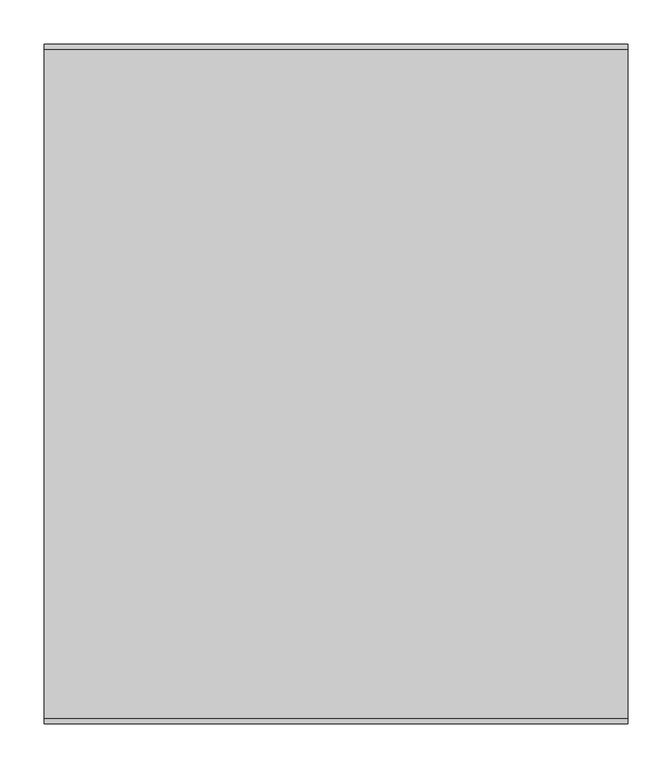
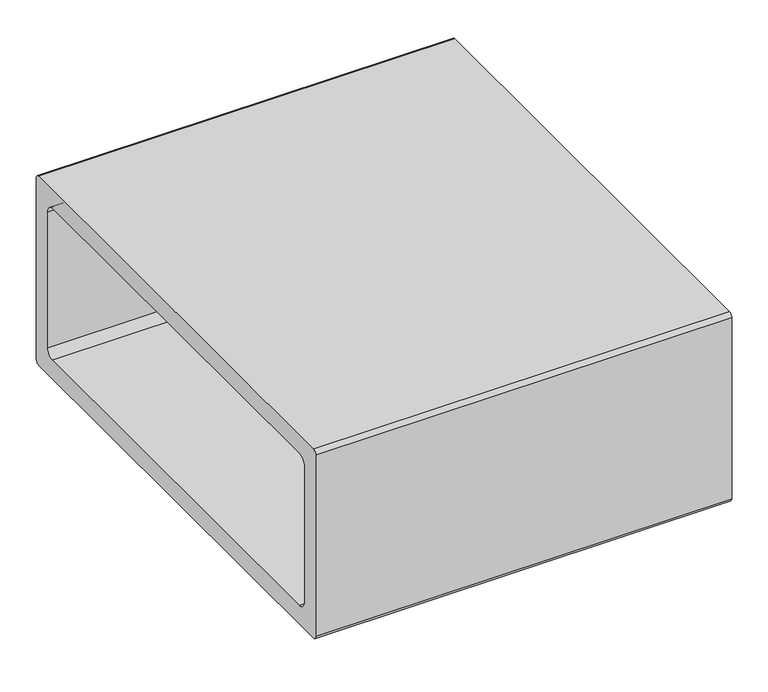
"""IFC4 building model written with IfcOpenShell, lengths in millimetres: furniture geometry."""

from ifc_helpers import new_model, si_unit, point, frame, frame_2d, origin, place, context, project, spatial, polyline, circle_curve, trimmed, segment, composite_curve, outline, extrude, faceted_brep, source, transform, mapped, element, save


def furniture_1a9a5723(model_context):
    return source(origin(), model_context, "Body", "SolidModel", [
        faceted_brep([(232.512495, 327.8342493, 25.4000008), (229.337489, 324.6592432, 25.4000008), (229.337489, 280.2092311, 25.4000008), (232.512495, 277.0342432, 25.4000008), (276.962489, 277.0342432, 25.4000008), (280.137495, 280.2092311, 25.4000008), (280.137495, 324.6592432, 25.4000008), (276.962489, 327.8342493, 25.4000008), (280.137495, 331.0092372, 0.0), (283.3124829, 327.8342493, 0.0), (283.3124829, 277.0342432, 0.0), (280.137495, 273.8592553, 0.0), (229.337489, 273.8592553, 0.0), (226.1624829, 277.0342432, 0.0), (226.1624829, 327.8342493, 0.0), (229.337489, 331.0092372, 0.0), (232.512495, 327.8342493, 3.1750001), (229.337489, 324.6592432, 3.1750001), (229.337489, 280.2092311, 3.1750001), (232.512495, 277.0342432, 3.1750001), (276.962489, 277.0342432, 3.1750001), (280.137495, 280.2092311, 3.1750001), (280.137495, 324.6592432, 3.1750001), (276.962489, 327.8342493, 3.1750001), (280.137495, 331.0092372, 3.1750001), (229.337489, 331.0092372, 3.1750001), (226.1624829, 327.8342493, 3.1750001), (226.1624829, 277.0342432, 3.1750001), (229.337489, 273.8592553, 3.1750001), (280.137495, 273.8592553, 3.1750001), (283.3124829, 277.0342432, 3.1750001), (283.3124829, 327.8342493, 3.1750001)], [[[0, 1, 2, 3, 4, 5, 6, 7]], [[8, 9, 10, 11, 12, 13, 14, 15]], [[1, 0, 16, 17]], [[2, 1, 17, 18]], [[3, 2, 18, 19]], [[4, 3, 19, 20]], [[5, 4, 20, 21]], [[6, 5, 21, 22]], [[7, 6, 22, 23]], [[0, 7, 23, 16]], [[24, 25, 26, 27, 28, 29, 30, 31], [17, 16, 23, 22, 21, 20, 19, 18]], [[25, 24, 8, 15]], [[26, 25, 15, 14]], [[27, 26, 14, 13]], [[28, 27, 13, 12]], [[29, 28, 12, 11]], [[30, 29, 11, 10]], [[31, 30, 10, 9]], [[24, 31, 9, 8]]]),
        faceted_brep([(-275.487511, 327.8342493, 25.4000008), (-278.6625171, 324.6592432, 25.4000008), (-278.6625171, 280.2092311, 25.4000008), (-275.487511, 277.0342432, 25.4000008), (-231.0375171, 277.0342432, 25.4000008), (-227.862511, 280.2092311, 25.4000008), (-227.862511, 324.6592432, 25.4000008), (-231.0375171, 327.8342493, 25.4000008), (-227.862511, 331.0092372, 0.0), (-224.6875231, 327.8342493, 0.0), (-224.6875231, 277.0342432, 0.0), (-227.862511, 273.8592553, 0.0), (-278.6625171, 273.8592553, 0.0), (-281.8375231, 277.0342432, 0.0), (-281.8375231, 327.8342493, 0.0), (-278.6625171, 331.0092372, 0.0), (-275.487511, 327.8342493, 3.1750001), (-278.6625171, 324.6592432, 3.1750001), (-278.6625171, 280.2092311, 3.1750001), (-275.487511, 277.0342432, 3.1750001), (-231.0375171, 277.0342432, 3.1750001), (-227.862511, 280.2092311, 3.1750001), (-227.862511, 324.6592432, 3.1750001), (-231.0375171, 327.8342493, 3.1750001), (-227.862511, 331.0092372, 3.1750001), (-278.6625171, 331.0092372, 3.1750001), (-281.8375231, 327.8342493, 3.1750001), (-281.8375231, 277.0342432, 3.1750001), (-278.6625171, 273.8592553, 3.1750001), (-227.862511, 273.8592553, 3.1750001), (-224.6875231, 277.0342432, 3.1750001), (-224.6875231, 327.8342493, 3.1750001)], [[[0, 1, 2, 3, 4, 5, 6, 7]], [[8, 9, 10, 11, 12, 13, 14, 15]], [[1, 0, 16, 17]], [[2, 1, 17, 18]], [[3, 2, 18, 19]], [[4, 3, 19, 20]], [[5, 4, 20, 21]], [[6, 5, 21, 22]], [[7, 6, 22, 23]], [[0, 7, 23, 16]], [[24, 25, 26, 27, 28, 29, 30, 31], [17, 16, 23, 22, 21, 20, 19, 18]], [[25, 24, 8, 15]], [[26, 25, 15, 14]], [[27, 26, 14, 13]], [[28, 27, 13, 12]], [[29, 28, 12, 11]], [[30, 29, 11, 10]], [[31, 30, 10, 9]], [[24, 31, 9, 8]]]),
        faceted_brep([(-227.862511, -284.9407568, 3.1750001), (-278.6625171, -284.9407568, 3.1750001), (-281.8375231, -288.1157447, 3.1750001), (-281.8375231, -338.9157507, 3.1750001), (-278.6625171, -342.0907386, 3.1750001), (-227.862511, -342.0907386, 3.1750001), (-224.6875231, -338.9157507, 3.1750001), (-224.6875231, -288.1157447, 3.1750001), (-278.6625171, -291.2907507, 3.1750001), (-275.487511, -288.1157447, 3.1750001), (-231.0375171, -288.1157447, 3.1750001), (-227.862511, -291.2907507, 3.1750001), (-227.862511, -335.7407628, 3.1750001), (-231.0375171, -338.9157507, 3.1750001), (-275.487511, -338.9157507, 3.1750001), (-278.6625171, -335.7407628, 3.1750001), (-227.862511, -284.9407568, 0.0), (-224.6875231, -288.1157447, 0.0), (-224.6875231, -338.9157507, 0.0), (-227.862511, -342.0907386, 0.0), (-278.6625171, -342.0907386, 0.0), (-281.8375231, -338.9157507, 0.0), (-281.8375231, -288.1157447, 0.0), (-278.6625171, -284.9407568, 0.0), (-275.487511, -288.1157447, 25.4000008), (-278.6625171, -291.2907507, 25.4000008), (-278.6625171, -335.7407628, 25.4000008), (-275.487511, -338.9157507, 25.4000008), (-231.0375171, -338.9157507, 25.4000008), (-227.862511, -335.7407628, 25.4000008), (-227.862511, -291.2907507, 25.4000008), (-231.0375171, -288.1157447, 25.4000008)], [[[0, 1, 2, 3, 4, 5, 6, 7], [8, 9, 10, 11, 12, 13, 14, 15]], [[16, 17, 18, 19, 20, 21, 22, 23]], [[1, 0, 16, 23]], [[2, 1, 23, 22]], [[3, 2, 22, 21]], [[4, 3, 21, 20]], [[5, 4, 20, 19]], [[6, 5, 19, 18]], [[7, 6, 18, 17]], [[0, 7, 17, 16]], [[24, 25, 26, 27, 28, 29, 30, 31]], [[25, 24, 9, 8]], [[26, 25, 8, 15]], [[27, 26, 15, 14]], [[28, 27, 14, 13]], [[29, 28, 13, 12]], [[30, 29, 12, 11]], [[31, 30, 11, 10]], [[24, 31, 10, 9]]]),
        faceted_brep([(232.512495, -288.1157447, 25.4000008), (229.337489, -291.2907507, 25.4000008), (229.337489, -335.7407628, 25.4000008), (232.512495, -338.9157507, 25.4000008), (276.962489, -338.9157507, 25.4000008), (280.137495, -335.7407628, 25.4000008), (280.137495, -291.2907507, 25.4000008), (276.962489, -288.1157447, 25.4000008), (280.137495, -284.9407568, 0.0), (283.3124829, -288.1157447, 0.0), (283.3124829, -338.9157507, 0.0), (280.137495, -342.0907386, 0.0), (229.337489, -342.0907386, 0.0), (226.1624829, -338.9157507, 0.0), (226.1624829, -288.1157447, 0.0), (229.337489, -284.9407568, 0.0), (232.512495, -288.1157447, 3.1750001), (229.337489, -291.2907507, 3.1750001), (229.337489, -335.7407628, 3.1750001), (232.512495, -338.9157507, 3.1750001), (276.962489, -338.9157507, 3.1750001), (280.137495, -335.7407628, 3.1750001), (280.137495, -291.2907507, 3.1750001), (276.962489, -288.1157447, 3.1750001), (280.137495, -284.9407568, 3.1750001), (229.337489, -284.9407568, 3.1750001), (226.1624829, -288.1157447, 3.1750001), (226.1624829, -338.9157507, 3.1750001), (229.337489, -342.0907386, 3.1750001), (280.137495, -342.0907386, 3.1750001), (283.3124829, -338.9157507, 3.1750001), (283.3124829, -288.1157447, 3.1750001)], [[[0, 1, 2, 3, 4, 5, 6, 7]], [[8, 9, 10, 11, 12, 13, 14, 15]], [[1, 0, 16, 17]], [[2, 1, 17, 18]], [[3, 2, 18, 19]], [[4, 3, 19, 20]], [[5, 4, 20, 21]], [[6, 5, 21, 22]], [[7, 6, 22, 23]], [[0, 7, 23, 16]], [[24, 25, 26, 27, 28, 29, 30, 31], [17, 16, 23, 22, 21, 20, 19, 18]], [[25, 24, 8, 15]], [[26, 25, 15, 14]], [[27, 26, 14, 13]], [[28, 27, 13, 12]], [[29, 28, 12, 11]], [[30, 29, 11, 10]], [[31, 30, 10, 9]], [[24, 31, 9, 8]]]),
        extrude(outline(composite_curve([segment(trimmed(circle_curve(frame_2d((373.7950592, 336.55)), 6.35), [point((373.7950592, 342.9))], [point((380.1450592, 336.55))], False, "CARTESIAN"), True, "CONTINUOUS"), segment(polyline([(380.1450592, 336.55), (380.1450592, 31.7500008)]), True, "CONTINUOUS"), segment(trimmed(circle_curve(frame_2d((373.7950592, 31.7500008)), 6.35), [point((380.1450592, 31.7500008))], [point((373.7950592, 25.4000008))], False, "CARTESIAN"), True, "CONTINUOUS"), segment(polyline([(373.7950592, 25.4000008), (-381.8549408, 25.4000008)]), True, "CONTINUOUS"), segment(trimmed(circle_curve(frame_2d((-381.8549408, 31.7500008)), 6.35), [point((-381.8549408, 25.4000008))], [point((-388.2049408, 31.7500008))], False, "CARTESIAN"), True, "CONTINUOUS"), segment(polyline([(-388.2049408, 31.7500008), (-388.2049408, 336.55)]), True, "CONTINUOUS"), segment(trimmed(circle_curve(frame_2d((-381.8549408, 336.55)), 6.35), [point((-388.2049408, 336.55))], [point((-381.8549408, 342.9))], False, "CARTESIAN"), True, "CONTINUOUS"), segment(polyline([(-381.8549408, 342.9), (373.7950592, 342.9)]), True, "CONTINUOUS")], self_intersect=False), holes=[composite_curve([segment(trimmed(circle_curve(frame_2d((-343.7549408, 298.510531)), 12.7), [point((-343.7549408, 311.210531))], [point((-356.4549408, 298.510531))], True, "CARTESIAN"), True, "CONTINUOUS"), segment(polyline([(-356.4549408, 298.510531), (-356.4549408, 69.9105189)]), True, "CONTINUOUS"), segment(trimmed(circle_curve(frame_2d((-343.7549408, 69.9105189)), 12.7), [point((-356.4549408, 69.9105189))], [point((-343.7549408, 57.2105189))], True, "CARTESIAN"), True, "CONTINUOUS"), segment(polyline([(-343.7549408, 57.2105189), (335.6950592, 57.2105189)]), True, "CONTINUOUS"), segment(trimmed(circle_curve(frame_2d((335.6950592, 69.9105189)), 12.7), [point((335.6950592, 57.2105189))], [point((348.3950592, 69.9105189))], True, "CARTESIAN"), True, "CONTINUOUS"), segment(polyline([(348.3950592, 69.9105189), (348.3950592, 298.510531)]), True, "CONTINUOUS"), segment(trimmed(circle_curve(frame_2d((335.6950592, 298.510531)), 12.7), [point((348.3950592, 298.510531))], [point((335.6950592, 311.210531))], True, "CARTESIAN"), True, "CONTINUOUS"), segment(polyline([(335.6950592, 311.210531), (-343.7549408, 311.210531)]), True, "CONTINUOUS")], self_intersect=False)]), frame((-330.2, 0.0, 0.0), z_axis=(1.0, 0.0, 0.0), x_axis=(0.0, 1.0, 0.0)), (0.0, 0.0, 1.0), 660.4),
    ])


if __name__ == "__main__":
    model = new_model("IFC4")
    model_context = context("Model", 3, world=origin())
    ifc_project = project(units=[si_unit("LENGTHUNIT", "METRE", prefix="MILLI")], contexts=[model_context])
    site = spatial("IfcSite", under=ifc_project)
    building = spatial("IfcBuilding", under=site)
    placement = place(None, origin())
    furniture_shape = furniture_1a9a5723(model_context)
    element("IfcFurniture", 1, at=placement, inside=building, context=model_context, shape_type="MappedRepresentation", body=[
        mapped(furniture_shape, transform((0.0, 0.0, 0.0), x_axis=(1.0, 0.0, 0.0), y_axis=(0.0, 1.0, 0.0), z_axis=(0.0, 0.0, 1.0))),
    ])
    save(model, "model.ifc")
